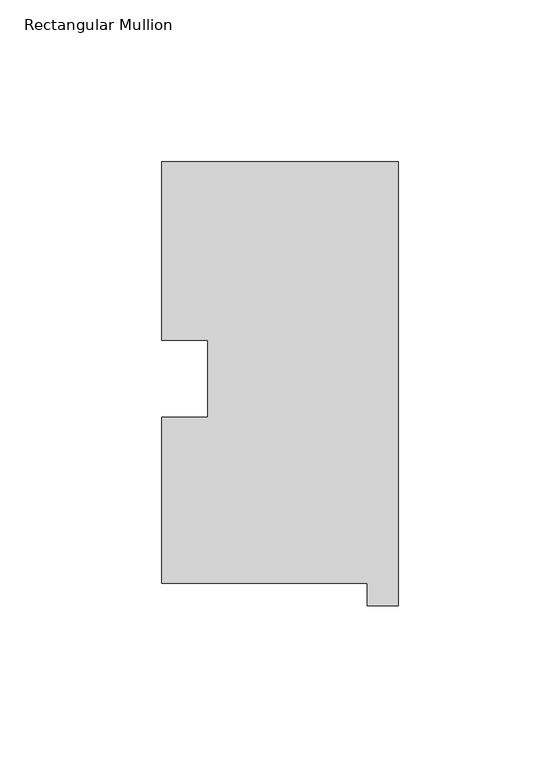
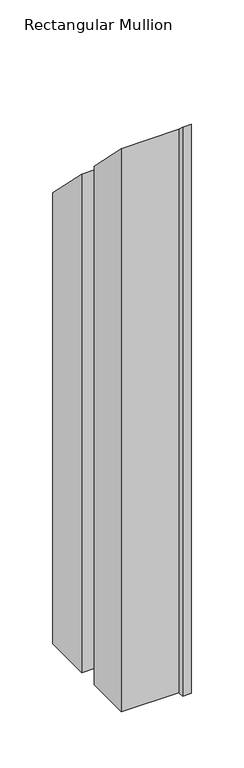
"""IFC4 building model written with IfcOpenShell, lengths in millimetres: member geometry, Rectangular Mullion."""

from ifc_helpers import new_model, si_unit, origin, place, context, project, spatial, faceted_brep, source, transform, mapped, element, save


def rectangular_mullion_e76a54b8(model_context):
    return source(origin(), model_context, "Body", "Brep", [
        faceted_brep([(-73.025, 130.56235, -654.05), (0.0, 130.56235, -654.05), (0.0, -6.64845, -654.05), (-9.525, -6.64845, -654.05), (-9.525, 0.26035, -654.05), (-73.025, 0.26035, -654.05), (-73.025, 51.60645, -654.05), (-58.785125, 51.60645, -654.05), (-58.785125, 75.40625, -654.05), (-73.025, 75.40625, -654.05), (-73.025, 75.40625, -75.40625), (-73.025, 130.56235, -130.56235), (-58.785125, 75.40625, -75.40625), (-58.785125, 51.60645, -51.60645), (-73.025, 51.60645, -51.60645), (-73.025, 0.26035, -0.26035), (-9.525, 0.26035, -0.26035), (-9.525, -6.64845, 6.64845), (0.0, -6.64845, 6.64845), (0.0, 130.56235, -130.56235)], [[[0, 1, 2, 3, 4, 5, 6, 7, 8, 9]], [[10, 11, 0, 9]], [[12, 10, 9, 8]], [[13, 12, 8, 7]], [[14, 13, 7, 6]], [[15, 14, 6, 5]], [[16, 15, 5, 4]], [[17, 16, 4, 3]], [[18, 17, 3, 2]], [[19, 18, 2, 1]], [[11, 19, 1, 0]], [[11, 10, 12, 13, 14, 15, 16, 17, 18, 19]]]),
    ])


if __name__ == "__main__":
    model = new_model("IFC4")
    model_context = context("Model", 3, world=origin())
    ifc_project = project(units=[si_unit("LENGTHUNIT", "METRE", prefix="MILLI")], contexts=[model_context])
    site = spatial("IfcSite", under=ifc_project)
    building = spatial("IfcBuilding", under=site)
    placement = place(None, origin())
    rectangular_mullion_shape = rectangular_mullion_e76a54b8(model_context)
    element("IfcMember", 1, ObjectType="Rectangular Mullion", at=placement, inside=building, context=model_context, shape_type="MappedRepresentation", body=[
        mapped(rectangular_mullion_shape, transform((0.0, 0.0, 0.0), x_axis=(1.0, 0.0, 0.0), y_axis=(0.0, 1.0, 0.0), z_axis=(0.0, 0.0, 1.0))),
    ])
    save(model, "model.ifc")
